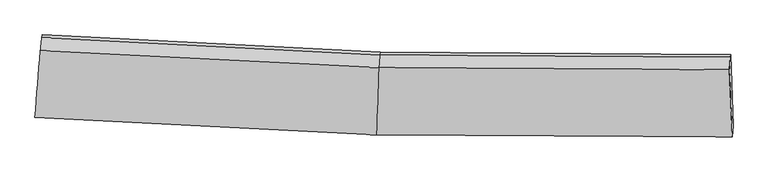
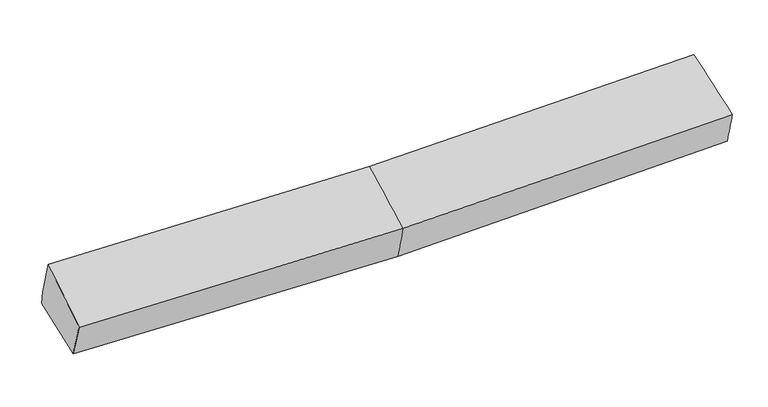
"""IFC4 building model written with IfcOpenShell, lengths in millimetres: proxy geometry."""

from ifc_helpers import new_model, si_unit, frame, origin, place, context, project, spatial, source, transform, mapped, element, save
from ifc_brep_helpers import plane_surface, spline_surface, advanced_brep


def generic_models_fd5b421f(model_context):
    return source(origin(), model_context, "Body", "AdvancedBrep", [
        advanced_brep(
        [(-3365.8432196, -1943.0634226, 2045.681731), (-3352.0289557, -1810.5919651, 1664.055863), (-60.0866515, -1997.0485636, 1705.3685091), (-70.7851337, -2109.0865202, 2086.1007484), (-3296.6711971, -1141.6521761, 1800.7309421), (-31.4840974, -1306.7531404, 1845.7220718), (-3300.2001335, -1171.3905404, 1947.7111323), (-35.2482962, -1338.4740623, 2002.5009413), (-3313.2559274, -1295.0446568, 2327.0116288), (-46.0947801, -1459.2737268, 2367.1238357), (3346.9126229, -1358.784157, 2074.4932389), (3339.508114, -1479.6109083, 2439.1932932), (3366.5413708, -2129.8307442, 2159.3297129), (3374.2072163, -2021.7377402, 1798.1373965), (3350.2062968, -1331.0283503, 1937.311728)],
        [
            (0, 1),
            (1, 2),
            (2, 3),
            (3, 0),
            (1, 4),
            (4, 5),
            (5, 1),
            (4, 6),
            (6, 7),
            (7, 5),
            (6, 8),
            (8, 9),
            (9, 7),
            (8, 0),
            (3, 9),
            (10, 11),
            (11, 12),
            (12, 13),
            (13, 14),
            (14, 10),
            (5, 2),
            (9, 11),
            (10, 7),
            (3, 12),
            (2, 13),
            (5, 14),
        ],
        [
            spline_surface(1, 1, [[(-3365.8432196, -1943.0634226, 2045.681731), (-70.7851337, -2109.0865202, 2086.1007484)], [(-3352.0289557, -1810.5919651, 1664.055863), (-60.0866515, -1997.0485636, 1705.3685091)]], [2, 2], [2, 2], [0.0, 1.0], [0.0, 1.0]),
            plane_surface(frame((-3324.3500764, -1476.1220706, 1732.3934026), z_axis=(0.02352624226934204, 0.19825576176270687, -0.9798679343934943), x_axis=(0.0808142461069966, 0.9765544364952192, 0.19952566298013572))),
            plane_surface(frame((-3298.4356653, -1156.5213582, 1874.2210372), z_axis=(0.04675012467095402, 0.978848781211213, 0.1991720094907248), x_axis=(-0.023526242269288424, -0.1982557617627301, 0.9798679343934908))),
            spline_surface(1, 1, [[(-3300.2001335, -1171.3905404, 1947.7111323), (-35.2482962, -1338.4740623, 2002.5009413)], [(-3313.2559274, -1295.0446568, 2327.0116288), (-46.0947801, -1459.2737268, 2367.1238357)]], [2, 2], [2, 2], [0.0, 1.0], [0.0, 1.0]),
            spline_surface(1, 1, [[(-3313.2559274, -1295.0446568, 2327.0116288), (-46.0947801, -1459.2737268, 2367.1238357)], [(-3365.8432196, -1943.0634226, 2045.681731), (-70.7851337, -2109.0865202, 2086.1007484)]], [2, 2], [2, 2], [0.0, 1.0], [0.0, 1.0]),
            plane_surface(frame((3355.4751242, -1664.19838, 2081.6930739), z_axis=(0.9991433989656126, 0.028714159367438798, 0.029798747545228748), x_axis=(-0.019269246953543942, -0.3144355042785377, 0.9490832470183768))),
            plane_surface(frame((-3325.5998867, -1472.3485522, 1957.0382594), z_axis=(-0.9964514908167101, 0.08388137748864148, -0.006952766338947931), x_axis=(0.07423317922770697, 0.9147550902380182, 0.3971304067751328))),
            plane_surface(frame((-3352.0289557, -1810.5919651, 1664.055863), z_axis=(0.023526242269342797, 0.19825576176270232, -0.9798679343934953), x_axis=(0.04057099865783694, 0.9791424442982001, 0.19908306769198672))),
            spline_surface(1, 1, [[(-35.2482962, -1338.4740623, 2002.5009413), (3346.9126229, -1358.784157, 2074.4932389)], [(-46.0947801, -1459.2737268, 2367.1238357), (3339.508114, -1479.6109083, 2439.1932932)]], [2, 2], [2, 2], [0.0, 1.0], [0.0, 1.0]),
            spline_surface(1, 1, [[(-46.0947801, -1459.2737268, 2367.1238357), (3339.508114, -1479.6109083, 2439.1932932)], [(-70.7851337, -2109.0865202, 2086.1007484), (3366.5413708, -2129.8307442, 2159.3297129)]], [2, 2], [2, 2], [0.0, 1.0], [0.0, 1.0]),
            spline_surface(1, 1, [[(-70.7851337, -2109.0865202, 2086.1007484), (3366.5413708, -2129.8307442, 2159.3297129)], [(-60.0866515, -1997.0485636, 1705.3685091), (3374.2072163, -2021.7377402, 1798.1373965)]], [2, 2], [2, 2], [0.0, 1.0], [0.0, 1.0]),
            spline_surface(1, 1, [[(-60.0866515, -1997.0485636, 1705.3685091), (3374.2072163, -2021.7377402, 1798.1373965)], [(-31.4840974, -1306.7531404, 1845.7220718), (3350.2062968, -1331.0283503, 1937.311728)]], [2, 2], [2, 2], [0.0, 1.0], [0.0, 1.0]),
            plane_surface(frame((-33.3661968, -1322.6136013, 1924.1115066), z_axis=(0.0016637152936523026, 0.9801300962010792, 0.19834874986317771), x_axis=(-0.023526242269340282, -0.19825576176270496, 0.9798679343934947))),
        ],
        [
            (0, [[1, 2, 3, 4]]),
            (1, [[5, 6, 7]]),
            (2, [[8, 9, 10, -6]]),
            (3, [[11, 12, 13, -9]]),
            (4, [[14, -4, 15, -12]]),
            (5, [[16, 17, 18, 19, 20]]),
            (6, [[-14, -11, -8, -5, -1]]),
            (7, [[21, -2, -7]]),
            (8, [[-13, 22, -16, 23]]),
            (9, [[-15, 24, -17, -22]]),
            (10, [[-3, 25, -18, -24]]),
            (11, [[-21, 26, -19, -25]]),
            (12, [[-10, -23, -20, -26]]),
        ],
    ),
    ])


if __name__ == "__main__":
    model = new_model("IFC4")
    model_context = context("Model", 3, world=origin())
    ifc_project = project(units=[si_unit("LENGTHUNIT", "METRE", prefix="MILLI")], contexts=[model_context])
    site = spatial("IfcSite", under=ifc_project)
    building = spatial("IfcBuilding", under=site)
    placement = place(None, origin())
    generic_models_shape = generic_models_fd5b421f(model_context)
    element("IfcBuildingElementProxy", 1, Name="Generic Models", at=placement, inside=building, context=model_context, shape_type="MappedRepresentation", body=[
        mapped(generic_models_shape, transform((0.0, 0.0, 0.0), x_axis=(1.0, 0.0, 0.0), y_axis=(0.0, 1.0, 0.0), z_axis=(0.0, 0.0, 1.0))),
    ])
    save(model, "model.ifc")
